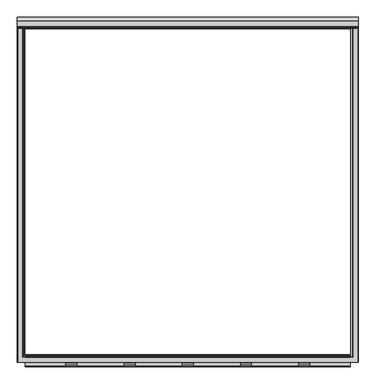
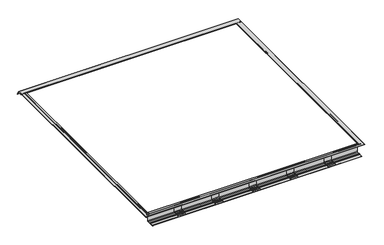
"""IFC4 building model written with IfcOpenShell, lengths in millimetres: fastener geometry."""

from ifc_helpers import new_model, si_unit, point, frame, frame_2d, origin, place, context, project, spatial, polyline, circle_curve, ellipse_curve, trimmed, segment, composite_curve, outline, extrude, source, transform, mapped, element, save
from ifc_brep_helpers import plane_surface, cylinder_surface, revolved_surface, advanced_brep


def fastener_a74622cb(model_context):
    return source(origin(), model_context, "Body", "SolidModel", [
        extrude(outline(composite_curve([segment(trimmed(circle_curve(frame_2d((-1145.5700599, -103.8836108)), 7.5509517), [point((-1138.0191082, -103.8836108))], [point((-1145.5700599, -111.4345625))], False, "CARTESIAN"), True, "CONTINUOUS"), segment(polyline([(-1145.5700599, -111.4345625), (-1177.5500422, -111.4345625)]), True, "CONTINUOUS"), segment(trimmed(circle_curve(frame_2d((-1177.2863618, -110.3784961)), 1.0884868), [point((-1177.5500422, -111.4345625))], [point((-1178.0560382, -109.6088197))], False, "CARTESIAN"), True, "CONTINUOUS"), segment(polyline([(-1178.0560382, -109.6088197), (-1176.7465916, -108.2993731)]), True, "CONTINUOUS"), segment(trimmed(circle_curve(frame_2d((-1177.516268, -107.5296966)), 1.0884868), [point((-1176.7465916, -108.2993731))], [point((-1176.911598, -106.6246122))], True, "CARTESIAN"), True, "CONTINUOUS"), segment(polyline([(-1176.911598, -106.6246122), (-1186.4250513, -106.6246122)]), True, "CONTINUOUS"), segment(trimmed(circle_curve(frame_2d((-1185.8203813, -107.5296966)), 1.0884868), [point((-1186.4250513, -106.6246122))], [point((-1186.5900578, -108.2993731))], True, "CARTESIAN"), True, "CONTINUOUS"), segment(polyline([(-1186.5900578, -108.2993731), (-1185.2806111, -109.6088197)]), True, "CONTINUOUS"), segment(trimmed(circle_curve(frame_2d((-1186.0502876, -110.3784961)), 1.0884868), [point((-1185.2806111, -109.6088197))], [point((-1185.7866071, -111.4345625))], False, "CARTESIAN"), True, "CONTINUOUS"), segment(polyline([(-1185.7866071, -111.4345625), (-1219.2, -111.4345625)]), True, "CONTINUOUS"), segment(trimmed(circle_curve(frame_2d((-1211.6858077, -110.7021667)), 7.5498006), [point((-1219.2, -111.4345625))], [point((-1211.6858077, -103.1523661))], False, "CARTESIAN"), True, "CONTINUOUS"), segment(polyline([(-1211.6858077, -103.1523661), (-1195.9627839, -103.1523661)]), True, "CONTINUOUS"), segment(trimmed(circle_curve(frame_2d((-1195.8562589, -99.1759938)), 3.977799), [point((-1195.9627839, -103.1523661))], [point((-1193.0435303, -101.9887224))], True, "CARTESIAN"), True, "CONTINUOUS"), segment(polyline([(-1193.0435303, -101.9887224), (-1190.9210407, -99.8662329)]), True, "CONTINUOUS"), segment(trimmed(circle_curve(frame_2d((-1188.1083121, -102.6789615)), 3.977799), [point((-1190.9210407, -99.8662329))], [point((-1188.0183247, -98.7021806))], False, "CARTESIAN"), True, "CONTINUOUS"), segment(polyline([(-1188.0183247, -98.7021806), (-1175.3183247, -98.7021806)]), True, "CONTINUOUS"), segment(trimmed(circle_curve(frame_2d((-1175.2283372, -102.6789615)), 3.977799), [point((-1175.3183247, -98.7021806))], [point((-1172.4156086, -99.8662329))], False, "CARTESIAN"), True, "CONTINUOUS"), segment(polyline([(-1172.4156086, -99.8662329), (-1170.2931191, -101.9887224)]), True, "CONTINUOUS"), segment(trimmed(circle_curve(frame_2d((-1167.4803904, -99.1759938)), 3.977799), [point((-1170.2931191, -101.9887224))], [point((-1167.3738655, -103.1523661))], True, "CARTESIAN"), True, "CONTINUOUS"), segment(polyline([(-1167.3738655, -103.1523661), (-1150.9842926, -103.1523661)]), True, "CONTINUOUS"), segment(trimmed(circle_curve(frame_2d((-1150.2040874, -97.3697836)), 5.8349791), [point((-1150.9842926, -103.1523661))], [point((-1144.3691082, -97.3697836))], True, "CARTESIAN"), True, "CONTINUOUS"), segment(polyline([(-1144.3691082, -97.3697836), (-1144.3691082, -38.7961108), (-1138.0191082, -38.7961108), (-1138.0191082, -103.8836108)]), True, "CONTINUOUS")], self_intersect=False)), frame((774.7, 0.0, 0.0), z_axis=(1.0, 0.0, 0.0), x_axis=(0.0, 1.0, 0.0)), (0.0, 0.0, 1.0), 76.2),
        extrude(outline(composite_curve([segment(trimmed(circle_curve(frame_2d((-1145.5700599, -103.8836108)), 7.5509517), [point((-1138.0191082, -103.8836108))], [point((-1145.5700599, -111.4345625))], False, "CARTESIAN"), True, "CONTINUOUS"), segment(polyline([(-1145.5700599, -111.4345625), (-1177.5500422, -111.4345625)]), True, "CONTINUOUS"), segment(trimmed(circle_curve(frame_2d((-1177.2863618, -110.3784961)), 1.0884868), [point((-1177.5500422, -111.4345625))], [point((-1178.0560382, -109.6088197))], False, "CARTESIAN"), True, "CONTINUOUS"), segment(polyline([(-1178.0560382, -109.6088197), (-1176.7465916, -108.2993731)]), True, "CONTINUOUS"), segment(trimmed(circle_curve(frame_2d((-1177.516268, -107.5296966)), 1.0884868), [point((-1176.7465916, -108.2993731))], [point((-1176.911598, -106.6246122))], True, "CARTESIAN"), True, "CONTINUOUS"), segment(polyline([(-1176.911598, -106.6246122), (-1186.4250513, -106.6246122)]), True, "CONTINUOUS"), segment(trimmed(circle_curve(frame_2d((-1185.8203813, -107.5296966)), 1.0884868), [point((-1186.4250513, -106.6246122))], [point((-1186.5900578, -108.2993731))], True, "CARTESIAN"), True, "CONTINUOUS"), segment(polyline([(-1186.5900578, -108.2993731), (-1185.2806111, -109.6088197)]), True, "CONTINUOUS"), segment(trimmed(circle_curve(frame_2d((-1186.0502876, -110.3784961)), 1.0884868), [point((-1185.2806111, -109.6088197))], [point((-1185.7866071, -111.4345625))], False, "CARTESIAN"), True, "CONTINUOUS"), segment(polyline([(-1185.7866071, -111.4345625), (-1219.2, -111.4345625)]), True, "CONTINUOUS"), segment(trimmed(circle_curve(frame_2d((-1211.6858077, -110.7021667)), 7.5498006), [point((-1219.2, -111.4345625))], [point((-1211.6858077, -103.1523661))], False, "CARTESIAN"), True, "CONTINUOUS"), segment(polyline([(-1211.6858077, -103.1523661), (-1195.9627839, -103.1523661)]), True, "CONTINUOUS"), segment(trimmed(circle_curve(frame_2d((-1195.8562589, -99.1759938)), 3.977799), [point((-1195.9627839, -103.1523661))], [point((-1193.0435303, -101.9887224))], True, "CARTESIAN"), True, "CONTINUOUS"), segment(polyline([(-1193.0435303, -101.9887224), (-1190.9210407, -99.8662329)]), True, "CONTINUOUS"), segment(trimmed(circle_curve(frame_2d((-1188.1083121, -102.6789615)), 3.977799), [point((-1190.9210407, -99.8662329))], [point((-1188.0183247, -98.7021806))], False, "CARTESIAN"), True, "CONTINUOUS"), segment(polyline([(-1188.0183247, -98.7021806), (-1175.3183247, -98.7021806)]), True, "CONTINUOUS"), segment(trimmed(circle_curve(frame_2d((-1175.2283372, -102.6789615)), 3.977799), [point((-1175.3183247, -98.7021806))], [point((-1172.4156086, -99.8662329))], False, "CARTESIAN"), True, "CONTINUOUS"), segment(polyline([(-1172.4156086, -99.8662329), (-1170.2931191, -101.9887224)]), True, "CONTINUOUS"), segment(trimmed(circle_curve(frame_2d((-1167.4803904, -99.1759938)), 3.977799), [point((-1170.2931191, -101.9887224))], [point((-1167.3738655, -103.1523661))], True, "CARTESIAN"), True, "CONTINUOUS"), segment(polyline([(-1167.3738655, -103.1523661), (-1150.9842926, -103.1523661)]), True, "CONTINUOUS"), segment(trimmed(circle_curve(frame_2d((-1150.2040874, -97.3697836)), 5.8349791), [point((-1150.9842926, -103.1523661))], [point((-1144.3691082, -97.3697836))], True, "CARTESIAN"), True, "CONTINUOUS"), segment(polyline([(-1144.3691082, -97.3697836), (-1144.3691082, -38.7961108), (-1138.0191082, -38.7961108), (-1138.0191082, -103.8836108)]), True, "CONTINUOUS")], self_intersect=False)), frame((-850.9, 0.0, 0.0), z_axis=(1.0, 0.0, 0.0), x_axis=(0.0, 1.0, 0.0)), (0.0, 0.0, 1.0), 76.2),
        extrude(outline(composite_curve([segment(trimmed(circle_curve(frame_2d((-1145.5700599, -103.8836108)), 7.5509517), [point((-1138.0191082, -103.8836108))], [point((-1145.5700599, -111.4345625))], False, "CARTESIAN"), True, "CONTINUOUS"), segment(polyline([(-1145.5700599, -111.4345625), (-1177.5500422, -111.4345625)]), True, "CONTINUOUS"), segment(trimmed(circle_curve(frame_2d((-1177.2863618, -110.3784961)), 1.0884868), [point((-1177.5500422, -111.4345625))], [point((-1178.0560382, -109.6088197))], False, "CARTESIAN"), True, "CONTINUOUS"), segment(polyline([(-1178.0560382, -109.6088197), (-1176.7465916, -108.2993731)]), True, "CONTINUOUS"), segment(trimmed(circle_curve(frame_2d((-1177.516268, -107.5296966)), 1.0884868), [point((-1176.7465916, -108.2993731))], [point((-1176.911598, -106.6246122))], True, "CARTESIAN"), True, "CONTINUOUS"), segment(polyline([(-1176.911598, -106.6246122), (-1186.4250513, -106.6246122)]), True, "CONTINUOUS"), segment(trimmed(circle_curve(frame_2d((-1185.8203813, -107.5296966)), 1.0884868), [point((-1186.4250513, -106.6246122))], [point((-1186.5900578, -108.2993731))], True, "CARTESIAN"), True, "CONTINUOUS"), segment(polyline([(-1186.5900578, -108.2993731), (-1185.2806111, -109.6088197)]), True, "CONTINUOUS"), segment(trimmed(circle_curve(frame_2d((-1186.0502876, -110.3784961)), 1.0884868), [point((-1185.2806111, -109.6088197))], [point((-1185.7866071, -111.4345625))], False, "CARTESIAN"), True, "CONTINUOUS"), segment(polyline([(-1185.7866071, -111.4345625), (-1219.2, -111.4345625)]), True, "CONTINUOUS"), segment(trimmed(circle_curve(frame_2d((-1211.6858077, -110.7021667)), 7.5498006), [point((-1219.2, -111.4345625))], [point((-1211.6858077, -103.1523661))], False, "CARTESIAN"), True, "CONTINUOUS"), segment(polyline([(-1211.6858077, -103.1523661), (-1195.9627839, -103.1523661)]), True, "CONTINUOUS"), segment(trimmed(circle_curve(frame_2d((-1195.8562589, -99.1759938)), 3.977799), [point((-1195.9627839, -103.1523661))], [point((-1193.0435303, -101.9887224))], True, "CARTESIAN"), True, "CONTINUOUS"), segment(polyline([(-1193.0435303, -101.9887224), (-1190.9210407, -99.8662329)]), True, "CONTINUOUS"), segment(trimmed(circle_curve(frame_2d((-1188.1083121, -102.6789615)), 3.977799), [point((-1190.9210407, -99.8662329))], [point((-1188.0183247, -98.7021806))], False, "CARTESIAN"), True, "CONTINUOUS"), segment(polyline([(-1188.0183247, -98.7021806), (-1175.3183247, -98.7021806)]), True, "CONTINUOUS"), segment(trimmed(circle_curve(frame_2d((-1175.2283372, -102.6789615)), 3.977799), [point((-1175.3183247, -98.7021806))], [point((-1172.4156086, -99.8662329))], False, "CARTESIAN"), True, "CONTINUOUS"), segment(polyline([(-1172.4156086, -99.8662329), (-1170.2931191, -101.9887224)]), True, "CONTINUOUS"), segment(trimmed(circle_curve(frame_2d((-1167.4803904, -99.1759938)), 3.977799), [point((-1170.2931191, -101.9887224))], [point((-1167.3738655, -103.1523661))], True, "CARTESIAN"), True, "CONTINUOUS"), segment(polyline([(-1167.3738655, -103.1523661), (-1150.9842926, -103.1523661)]), True, "CONTINUOUS"), segment(trimmed(circle_curve(frame_2d((-1150.2040874, -97.3697836)), 5.8349791), [point((-1150.9842926, -103.1523661))], [point((-1144.3691082, -97.3697836))], True, "CARTESIAN"), True, "CONTINUOUS"), segment(polyline([(-1144.3691082, -97.3697836), (-1144.3691082, -38.7961108), (-1138.0191082, -38.7961108), (-1138.0191082, -103.8836108)]), True, "CONTINUOUS")], self_intersect=False)), frame((-444.5, 0.0, 0.0), z_axis=(1.0, 0.0, 0.0), x_axis=(0.0, 1.0, 0.0)), (0.0, 0.0, 1.0), 76.2),
        extrude(outline(composite_curve([segment(trimmed(circle_curve(frame_2d((-1145.5700599, -103.8836108)), 7.5509517), [point((-1138.0191082, -103.8836108))], [point((-1145.5700599, -111.4345625))], False, "CARTESIAN"), True, "CONTINUOUS"), segment(polyline([(-1145.5700599, -111.4345625), (-1177.5500422, -111.4345625)]), True, "CONTINUOUS"), segment(trimmed(circle_curve(frame_2d((-1177.2863618, -110.3784961)), 1.0884868), [point((-1177.5500422, -111.4345625))], [point((-1178.0560382, -109.6088197))], False, "CARTESIAN"), True, "CONTINUOUS"), segment(polyline([(-1178.0560382, -109.6088197), (-1176.7465916, -108.2993731)]), True, "CONTINUOUS"), segment(trimmed(circle_curve(frame_2d((-1177.516268, -107.5296966)), 1.0884868), [point((-1176.7465916, -108.2993731))], [point((-1176.911598, -106.6246122))], True, "CARTESIAN"), True, "CONTINUOUS"), segment(polyline([(-1176.911598, -106.6246122), (-1186.4250513, -106.6246122)]), True, "CONTINUOUS"), segment(trimmed(circle_curve(frame_2d((-1185.8203813, -107.5296966)), 1.0884868), [point((-1186.4250513, -106.6246122))], [point((-1186.5900578, -108.2993731))], True, "CARTESIAN"), True, "CONTINUOUS"), segment(polyline([(-1186.5900578, -108.2993731), (-1185.2806111, -109.6088197)]), True, "CONTINUOUS"), segment(trimmed(circle_curve(frame_2d((-1186.0502876, -110.3784961)), 1.0884868), [point((-1185.2806111, -109.6088197))], [point((-1185.7866071, -111.4345625))], False, "CARTESIAN"), True, "CONTINUOUS"), segment(polyline([(-1185.7866071, -111.4345625), (-1219.2, -111.4345625)]), True, "CONTINUOUS"), segment(trimmed(circle_curve(frame_2d((-1211.6858077, -110.7021667)), 7.5498006), [point((-1219.2, -111.4345625))], [point((-1211.6858077, -103.1523661))], False, "CARTESIAN"), True, "CONTINUOUS"), segment(polyline([(-1211.6858077, -103.1523661), (-1195.9627839, -103.1523661)]), True, "CONTINUOUS"), segment(trimmed(circle_curve(frame_2d((-1195.8562589, -99.1759938)), 3.977799), [point((-1195.9627839, -103.1523661))], [point((-1193.0435303, -101.9887224))], True, "CARTESIAN"), True, "CONTINUOUS"), segment(polyline([(-1193.0435303, -101.9887224), (-1190.9210407, -99.8662329)]), True, "CONTINUOUS"), segment(trimmed(circle_curve(frame_2d((-1188.1083121, -102.6789615)), 3.977799), [point((-1190.9210407, -99.8662329))], [point((-1188.0183247, -98.7021806))], False, "CARTESIAN"), True, "CONTINUOUS"), segment(polyline([(-1188.0183247, -98.7021806), (-1175.3183247, -98.7021806)]), True, "CONTINUOUS"), segment(trimmed(circle_curve(frame_2d((-1175.2283372, -102.6789615)), 3.977799), [point((-1175.3183247, -98.7021806))], [point((-1172.4156086, -99.8662329))], False, "CARTESIAN"), True, "CONTINUOUS"), segment(polyline([(-1172.4156086, -99.8662329), (-1170.2931191, -101.9887224)]), True, "CONTINUOUS"), segment(trimmed(circle_curve(frame_2d((-1167.4803904, -99.1759938)), 3.977799), [point((-1170.2931191, -101.9887224))], [point((-1167.3738655, -103.1523661))], True, "CARTESIAN"), True, "CONTINUOUS"), segment(polyline([(-1167.3738655, -103.1523661), (-1150.9842926, -103.1523661)]), True, "CONTINUOUS"), segment(trimmed(circle_curve(frame_2d((-1150.2040874, -97.3697836)), 5.8349791), [point((-1150.9842926, -103.1523661))], [point((-1144.3691082, -97.3697836))], True, "CARTESIAN"), True, "CONTINUOUS"), segment(polyline([(-1144.3691082, -97.3697836), (-1144.3691082, -38.7961108), (-1138.0191082, -38.7961108), (-1138.0191082, -103.8836108)]), True, "CONTINUOUS")], self_intersect=False)), frame((368.3, 0.0, 0.0), z_axis=(1.0, 0.0, 0.0), x_axis=(0.0, 1.0, 0.0)), (0.0, 0.0, 1.0), 76.2),
        extrude(outline(composite_curve([segment(trimmed(circle_curve(frame_2d((-1145.5700599, -103.8836108)), 7.5509517), [point((-1138.0191082, -103.8836108))], [point((-1145.5700599, -111.4345625))], False, "CARTESIAN"), True, "CONTINUOUS"), segment(polyline([(-1145.5700599, -111.4345625), (-1177.5500422, -111.4345625)]), True, "CONTINUOUS"), segment(trimmed(circle_curve(frame_2d((-1177.2863618, -110.3784961)), 1.0884868), [point((-1177.5500422, -111.4345625))], [point((-1178.0560382, -109.6088197))], False, "CARTESIAN"), True, "CONTINUOUS"), segment(polyline([(-1178.0560382, -109.6088197), (-1176.7465916, -108.2993731)]), True, "CONTINUOUS"), segment(trimmed(circle_curve(frame_2d((-1177.516268, -107.5296966)), 1.0884868), [point((-1176.7465916, -108.2993731))], [point((-1176.911598, -106.6246122))], True, "CARTESIAN"), True, "CONTINUOUS"), segment(polyline([(-1176.911598, -106.6246122), (-1186.4250513, -106.6246122)]), True, "CONTINUOUS"), segment(trimmed(circle_curve(frame_2d((-1185.8203813, -107.5296966)), 1.0884868), [point((-1186.4250513, -106.6246122))], [point((-1186.5900578, -108.2993731))], True, "CARTESIAN"), True, "CONTINUOUS"), segment(polyline([(-1186.5900578, -108.2993731), (-1185.2806111, -109.6088197)]), True, "CONTINUOUS"), segment(trimmed(circle_curve(frame_2d((-1186.0502876, -110.3784961)), 1.0884868), [point((-1185.2806111, -109.6088197))], [point((-1185.7866071, -111.4345625))], False, "CARTESIAN"), True, "CONTINUOUS"), segment(polyline([(-1185.7866071, -111.4345625), (-1219.2, -111.4345625)]), True, "CONTINUOUS"), segment(trimmed(circle_curve(frame_2d((-1211.6858077, -110.7021667)), 7.5498006), [point((-1219.2, -111.4345625))], [point((-1211.6858077, -103.1523661))], False, "CARTESIAN"), True, "CONTINUOUS"), segment(polyline([(-1211.6858077, -103.1523661), (-1195.9627839, -103.1523661)]), True, "CONTINUOUS"), segment(trimmed(circle_curve(frame_2d((-1195.8562589, -99.1759938)), 3.977799), [point((-1195.9627839, -103.1523661))], [point((-1193.0435303, -101.9887224))], True, "CARTESIAN"), True, "CONTINUOUS"), segment(polyline([(-1193.0435303, -101.9887224), (-1190.9210407, -99.8662329)]), True, "CONTINUOUS"), segment(trimmed(circle_curve(frame_2d((-1188.1083121, -102.6789615)), 3.977799), [point((-1190.9210407, -99.8662329))], [point((-1188.0183247, -98.7021806))], False, "CARTESIAN"), True, "CONTINUOUS"), segment(polyline([(-1188.0183247, -98.7021806), (-1175.3183247, -98.7021806)]), True, "CONTINUOUS"), segment(trimmed(circle_curve(frame_2d((-1175.2283372, -102.6789615)), 3.977799), [point((-1175.3183247, -98.7021806))], [point((-1172.4156086, -99.8662329))], False, "CARTESIAN"), True, "CONTINUOUS"), segment(polyline([(-1172.4156086, -99.8662329), (-1170.2931191, -101.9887224)]), True, "CONTINUOUS"), segment(trimmed(circle_curve(frame_2d((-1167.4803904, -99.1759938)), 3.977799), [point((-1170.2931191, -101.9887224))], [point((-1167.3738655, -103.1523661))], True, "CARTESIAN"), True, "CONTINUOUS"), segment(polyline([(-1167.3738655, -103.1523661), (-1150.9842926, -103.1523661)]), True, "CONTINUOUS"), segment(trimmed(circle_curve(frame_2d((-1150.2040874, -97.3697836)), 5.8349791), [point((-1150.9842926, -103.1523661))], [point((-1144.3691082, -97.3697836))], True, "CARTESIAN"), True, "CONTINUOUS"), segment(polyline([(-1144.3691082, -97.3697836), (-1144.3691082, -38.7961108), (-1138.0191082, -38.7961108), (-1138.0191082, -103.8836108)]), True, "CONTINUOUS")], self_intersect=False)), frame((-38.1, 0.0, 0.0), z_axis=(1.0, 0.0, 0.0), x_axis=(0.0, 1.0, 0.0)), (0.0, 0.0, 1.0), 76.2),
        extrude(outline(composite_curve([segment(polyline([(-1135.3165, -15.1804688), (-1135.3165, -114.1015625), (-1217.8665, -114.1015625)]), True, "CONTINUOUS"), segment(trimmed(circle_curve(frame_2d((-1217.8665, -112.7680625)), 1.3335), [point((-1217.8665, -114.1015625))], [point((-1217.8665, -111.4345625))], False, "CARTESIAN"), True, "CONTINUOUS"), segment(polyline([(-1217.8665, -111.4345625), (-1185.7509989, -111.4345625)]), True, "CONTINUOUS"), segment(trimmed(circle_curve(frame_2d((-1186.0146793, -110.3784961)), 1.0884868), [point((-1185.7509989, -111.4345625))], [point((-1185.2450029, -109.6088197))], True, "CARTESIAN"), True, "CONTINUOUS"), segment(polyline([(-1185.2450029, -109.6088197), (-1186.5544495, -108.2993731)]), True, "CONTINUOUS"), segment(trimmed(circle_curve(frame_2d((-1185.7847731, -107.5296966)), 1.0884868), [point((-1186.5544495, -108.2993731))], [point((-1186.389443, -106.6246122))], False, "CARTESIAN"), True, "CONTINUOUS"), segment(polyline([(-1186.389443, -106.6246122), (-1176.8759898, -106.6246122)]), True, "CONTINUOUS"), segment(trimmed(circle_curve(frame_2d((-1177.4806597, -107.5296966)), 1.0884868), [point((-1176.8759898, -106.6246122))], [point((-1176.7109833, -108.2993731))], False, "CARTESIAN"), True, "CONTINUOUS"), segment(polyline([(-1176.7109833, -108.2993731), (-1178.0204299, -109.6088197)]), True, "CONTINUOUS"), segment(trimmed(circle_curve(frame_2d((-1177.2507535, -110.3784961)), 1.0884868), [point((-1178.0204299, -109.6088197))], [point((-1177.5144339, -111.4345625))], True, "CARTESIAN"), True, "CONTINUOUS"), segment(polyline([(-1177.5144339, -111.4345625), (-1145.5344517, -111.4345625)]), True, "CONTINUOUS"), segment(trimmed(circle_curve(frame_2d((-1145.5344517, -103.8836108)), 7.5509517), [point((-1145.5344517, -111.4345625))], [point((-1137.9835, -103.8836108))], True, "CARTESIAN"), True, "CONTINUOUS"), segment(polyline([(-1137.9835, -103.8836108), (-1137.9835, -21.87801), (-1156.2117258, -21.87801), (-1156.2117258, -15.1804688), (-1152.1178999, -15.1804688)]), True, "CONTINUOUS"), segment(trimmed(circle_curve(frame_2d((-1152.8274757, -16.2725079)), 1.3023238), [point((-1152.1178999, -15.1804688))], [point((-1151.9131963, -17.1999455))], False, "CARTESIAN"), True, "CONTINUOUS"), segment(polyline([(-1151.9131963, -17.1999455), (-1152.9649499, -18.2679836)]), True, "CONTINUOUS"), segment(trimmed(circle_curve(frame_2d((-1152.5091166, -18.6293281)), 0.5816819), [point((-1152.9649499, -18.2679836))], [point((-1152.5091166, -19.21101))], True, "CARTESIAN"), True, "CONTINUOUS"), segment(polyline([(-1152.5091166, -19.21101), (-1140.8594568, -19.21101)]), True, "CONTINUOUS"), segment(trimmed(circle_curve(frame_2d((-1140.8594568, -18.6130003)), 0.5980097), [point((-1140.8594568, -19.21101))], [point((-1140.3710112, -18.2679836))], True, "CARTESIAN"), True, "CONTINUOUS"), segment(polyline([(-1140.3710112, -18.2679836), (-1141.460117, -17.1999455)]), True, "CONTINUOUS"), segment(trimmed(circle_curve(frame_2d((-1140.5022273, -16.284676)), 1.3248664), [point((-1141.460117, -17.1999455))], [point((-1141.2343456, -15.1804688))], False, "CARTESIAN"), True, "CONTINUOUS"), segment(polyline([(-1141.2343456, -15.1804688), (-1135.3165, -15.1804688)]), True, "CONTINUOUS")], self_intersect=False)), frame((-1135.3165, 0.0, 0.0), z_axis=(1.0, 0.0, 0.0), x_axis=(0.0, 1.0, 0.0)), (0.0, 0.0, 1.0), 2270.633),
        advanced_brep(
        [(-1189.1053092, 1141.2343456, -15.1685625), (-1189.1053092, 1135.3165, -15.1685625), (-1189.1053092, 1135.3165, -13.8350625), (-1189.1053092, 1135.3165, -12.5015625), (-1189.1053092, 1190.6451024, -12.5015625), (-1189.1053092, 1217.7515464, -59.4513008), (-1189.1053092, 1215.4418567, -60.7848008), (-1189.1053092, 1189.1053092, -15.1685625), (-1189.1053092, 1161.8308783, -15.1685625), (-1189.1053092, 1159.573508, -17.4259327), (-1189.1053092, 1159.573508, -26.7633474), (-1189.1053092, 1149.6719492, -26.7633474), (-1189.1053092, 1149.6719492, -24.7662067), (-1189.1053092, 1150.5032605, -24.7662067), (-1189.1053092, 1151.5117177, -23.7577495), (-1189.1053092, 1151.5117177, -21.8661038), (-1189.1053092, 1156.2117258, -21.8661038), (-1189.1053092, 1156.2117258, -15.1685625), (-1189.1053092, 1152.1178999, -15.1685625), (-1189.1053092, 1151.9131963, -17.2095918), (-1189.1053092, 1152.9812344, -18.2776299), (-1189.1053092, 1152.5091166, -19.1991038), (-1189.1053092, 1140.8431289, -19.1991038), (-1189.1053092, 1140.3710112, -18.2776299), (-1189.1053092, 1141.4390493, -17.2095918), (1189.1053092, 1141.2343456, -15.1685625), (1189.1053092, 1141.4390493, -17.2095918), (1189.1053092, 1140.3710112, -18.2776299), (1189.1053092, 1140.8431289, -19.1991038), (1189.1053092, 1152.5091166, -19.1991038), (1189.1053092, 1152.9812344, -18.2776299), (1189.1053092, 1151.9131963, -17.2095918), (1189.1053092, 1152.1178999, -15.1685625), (1189.1053092, 1156.2117258, -15.1685625), (1189.1053092, 1156.2117258, -21.8661038), (1189.1053092, 1151.5117177, -21.8661038), (1189.1053092, 1151.5117177, -23.7577495), (1189.1053092, 1150.5032605, -24.7662067), (1189.1053092, 1149.6719492, -24.7662067), (1189.1053092, 1149.6719492, -26.7633474), (1189.1053092, 1159.573508, -26.7633474), (1189.1053092, 1159.573508, -17.4259327), (1189.1053092, 1161.8308783, -15.1685625), (1189.1053092, 1189.1053092, -15.1685625), (1189.1053092, 1215.4418567, -60.7848008), (1189.1053092, 1217.7515464, -59.4513008), (1189.1053092, 1190.6451024, -12.5015625), (1189.1053092, 1135.3165, -12.5015625), (1189.1053092, 1135.3165, -13.8350625), (1189.1053092, 1135.3165, -15.1685625), (1187.7718092, 1135.3165, -15.1685625), (1187.7718092, -1187.7718092, -15.1685625), (-1187.7718092, -1187.7718092, -15.1685625), (-1187.7718092, 1135.3165, -15.1685625), (1135.3165, 1135.3165, -15.1685625), (-1135.3165, 1135.3165, -15.1685625), (-1135.3165, -1135.3165, -15.1685625), (1135.3165, -1135.3165, -15.1685625), (-1141.2160631, 1135.3165, -15.1685625), (-1152.1361825, 1135.3165, -15.1685625), (-1152.1361825, -1152.1361825, -15.1685625), (1152.1361825, -1152.1361825, -15.1685625), (1152.1361825, 1135.3165, -15.1685625), (1141.2160631, 1135.3165, -15.1685625), (1141.2160631, -1141.2160631, -15.1685625), (-1141.2160631, -1141.2160631, -15.1685625), (-1156.2117258, 1135.3165, -15.1685625), (-1161.8308783, 1135.3165, -15.1685625), (-1161.8308783, -1161.8308783, -15.1685625), (1161.8308783, -1161.8308783, -15.1685625), (1161.8308783, 1135.3165, -15.1685625), (1156.2117258, 1135.3165, -15.1685625), (1156.2117258, -1156.2117258, -15.1685625), (-1156.2117258, -1156.2117258, -15.1685625), (-1187.7718092, 1135.3165, -12.5015625), (1187.7718092, 1135.3165, -12.5015625), (1135.3165, 1135.3165, -12.5015625), (-1135.3165, 1135.3165, -12.5015625), (-1187.7718092, -1187.7718092, -12.5015625), (1187.7718092, -1187.7718092, -12.5015625), (1135.3165, -1135.3165, -12.5015625), (-1135.3165, -1135.3165, -12.5015625), (-1141.4390493, 1135.3165, -17.221498), (-1140.3710112, 1135.3165, -18.2895361), (-1140.8431289, 1135.3165, -19.21101), (-1152.5091166, 1135.3165, -19.21101), (-1152.9812344, 1135.3165, -18.2895361), (-1151.9131963, 1135.3165, -17.221498), (-1156.2117258, 1135.3165, -21.87801), (-1151.5117177, 1135.3165, -21.87801), (-1151.5117177, 1135.3165, -23.7696558), (-1150.5032605, 1135.3165, -24.7781129), (-1149.6719492, 1135.3165, -24.7781129), (-1149.6719492, 1135.3165, -26.7633474), (-1159.573508, 1135.3165, -26.7633474), (-1159.573508, 1135.3165, -17.4259327), (-1141.4390493, -1141.4390493, -17.221498), (-1140.3710112, -1140.3710112, -18.2895361), (-1140.8431289, -1140.8431289, -19.21101), (1140.8431289, -1140.8431289, -19.21101), (1140.8431289, 1135.3165, -19.21101), (1152.5091166, 1135.3165, -19.21101), (1152.5091166, -1152.5091166, -19.21101), (-1152.5091166, -1152.5091166, -19.21101), (-1152.9812344, -1152.9812344, -18.2895361), (-1151.9131963, -1151.9131963, -17.221498), (-1156.2117258, -1156.2117258, -21.87801), (1156.2117258, -1156.2117258, -21.87801), (1156.2117258, 1135.3165, -21.87801), (1151.5117177, 1135.3165, -21.87801), (1151.5117177, -1151.5117177, -21.87801), (-1151.5117177, -1151.5117177, -21.87801), (-1151.5117177, -1151.5117177, -23.7696558), (-1150.5032605, -1150.5032605, -24.7781129), (1150.5032605, -1150.5032605, -24.7781129), (1150.5032605, 1135.3165, -24.7781129), (1149.6719492, 1135.3165, -24.7781129), (1149.6719492, -1149.6719492, -24.7781129), (-1149.6719492, -1149.6719492, -24.7781129), (-1149.6719492, -1149.6719492, -26.7633474), (1149.6719492, -1149.6719492, -26.7633474), (1149.6719492, 1135.3165, -26.7633474), (1159.573508, 1135.3165, -26.7633474), (1159.573508, -1159.573508, -26.7633474), (-1159.573508, -1159.573508, -26.7633474), (-1159.573508, -1159.573508, -17.4259327), (1141.4390493, -1141.4390493, -17.221498), (1140.3710112, -1140.3710112, -18.2895361), (1152.9812344, -1152.9812344, -18.2895361), (1151.9131963, -1151.9131963, -17.221498), (1151.5117177, -1151.5117177, -23.7696558), (1159.573508, -1159.573508, -17.4259327), (1140.3710112, 1135.3165, -18.2895361), (1141.4390493, 1135.3165, -17.221498), (1151.9131963, 1135.3165, -17.221498), (1152.9812344, 1135.3165, -18.2895361), (1159.573508, 1135.3165, -17.4259327), (1151.5117177, 1135.3165, -23.7696558)],
        [
            (0, 1),
            (1, 2),
            (2, 3),
            (3, 4),
            (4, 5),
            (5, 6),
            (6, 7),
            (7, 8),
            (8, 9, circle_curve(frame((-1189.1053092, 1161.8308783, -17.4259327), z_axis=(1.0, 0.0, 0.0), x_axis=(0.0, 1.0, 0.0)), 2.2573702)),
            (9, 10),
            (10, 11),
            (11, 12, circle_curve(frame((-1189.1053092, 1149.6719492, -25.764777), z_axis=(-1.0, 0.0, 0.0), x_axis=(0.0, 1.0, 0.0)), 0.9985703)),
            (12, 13),
            (13, 14, circle_curve(frame((-1189.1053092, 1150.5032605, -23.7577495), z_axis=(1.0, 0.0, 0.0), x_axis=(0.0, 1.0, 0.0)), 1.0084572)),
            (14, 15),
            (15, 16),
            (16, 17),
            (17, 18),
            (18, 19, circle_curve(frame((-1189.1053092, 1152.8500183, -16.2727698), z_axis=(1.0, 0.0, 0.0), x_axis=(0.0, 1.0, 0.0)), 1.3248664)),
            (19, 20),
            (20, 21, circle_curve(frame((-1189.1053092, 1152.5091166, -18.6174219), z_axis=(-1.0, 0.0, 0.0), x_axis=(0.0, 1.0, 0.0)), 0.5816819)),
            (21, 22),
            (22, 23, circle_curve(frame((-1189.1053092, 1140.8431289, -18.6174219), z_axis=(-1.0, 0.0, 0.0), x_axis=(0.0, 1.0, 0.0)), 0.5816819)),
            (23, 24),
            (24, 0, circle_curve(frame((-1189.1053092, 1140.5022273, -16.2727698), z_axis=(1.0, 0.0, 0.0), x_axis=(0.0, 1.0, 0.0)), 1.3248664)),
            (25, 26, circle_curve(frame((1189.1053092, 1140.5022273, -16.2727698), z_axis=(-1.0, 0.0, 0.0), x_axis=(0.0, 1.0, 0.0)), 1.3248664)),
            (26, 27),
            (27, 28, circle_curve(frame((1189.1053092, 1140.8431289, -18.6174219), z_axis=(1.0, 0.0, 0.0), x_axis=(0.0, 1.0, 0.0)), 0.5816819)),
            (28, 29),
            (29, 30, circle_curve(frame((1189.1053092, 1152.5091166, -18.6174219), z_axis=(1.0, 0.0, 0.0), x_axis=(0.0, 1.0, 0.0)), 0.5816819)),
            (30, 31),
            (31, 32, circle_curve(frame((1189.1053092, 1152.8500183, -16.2727698), z_axis=(-1.0, 0.0, 0.0), x_axis=(0.0, 1.0, 0.0)), 1.3248664)),
            (32, 33),
            (33, 34),
            (34, 35),
            (35, 36),
            (36, 37, circle_curve(frame((1189.1053092, 1150.5032605, -23.7577495), z_axis=(-1.0, 0.0, 0.0), x_axis=(0.0, 1.0, 0.0)), 1.0084572)),
            (37, 38),
            (38, 39, circle_curve(frame((1189.1053092, 1149.6719492, -25.764777), z_axis=(1.0, 0.0, 0.0), x_axis=(0.0, 1.0, 0.0)), 0.9985703)),
            (39, 40),
            (40, 41),
            (41, 42, circle_curve(frame((1189.1053092, 1161.8308783, -17.4259327), z_axis=(-1.0, 0.0, 0.0), x_axis=(0.0, 1.0, 0.0)), 2.2573702)),
            (42, 43),
            (43, 44),
            (44, 45),
            (45, 46),
            (46, 47),
            (47, 48),
            (48, 49),
            (49, 25),
            (0, 25),
            (49, 50),
            (50, 51),
            (51, 52),
            (52, 53),
            (53, 1),
            (54, 55),
            (55, 56),
            (56, 57),
            (57, 54),
            (58, 59),
            (59, 60),
            (60, 61),
            (61, 62),
            (62, 63),
            (63, 64),
            (64, 65),
            (65, 58),
            (66, 67),
            (67, 68),
            (68, 69),
            (69, 70),
            (70, 71),
            (71, 72),
            (72, 73),
            (73, 66),
            (53, 2, circle_curve(frame((-1187.7718092, 1135.3165, -13.8350625), z_axis=(0.0, 1.0, 0.0), x_axis=(1.0, 0.0, 0.0)), 1.3335)),
            (2, 74, circle_curve(frame((-1187.7718092, 1135.3165, -13.8350625), z_axis=(0.0, 1.0, 0.0), x_axis=(1.0, 0.0, 0.0)), 1.3335)),
            (74, 3),
            (47, 75),
            (75, 48, circle_curve(frame((1187.7718092, 1135.3165, -13.8350625), z_axis=(0.0, 1.0, 0.0), x_axis=(-1.0, 0.0, 0.0)), 1.3335)),
            (48, 50, circle_curve(frame((1187.7718092, 1135.3165, -13.8350625), z_axis=(0.0, 1.0, 0.0), x_axis=(-1.0, 0.0, 0.0)), 1.3335)),
            (54, 76),
            (76, 77),
            (77, 55),
            (74, 78),
            (78, 79),
            (79, 75),
            (46, 4),
            (76, 80),
            (80, 81),
            (81, 77),
            (45, 5),
            (44, 6),
            (43, 7),
            (42, 8),
            (41, 9),
            (40, 10),
            (39, 11),
            (38, 12),
            (37, 13),
            (36, 14),
            (35, 15),
            (34, 16),
            (33, 17),
            (32, 18),
            (19, 31),
            (30, 20),
            (29, 21),
            (28, 22),
            (27, 23),
            (26, 24),
            (58, 82, circle_curve(frame((-1140.5022273, 1135.3165, -16.284676), z_axis=(0.0, -1.0, 0.0), x_axis=(1.0, 0.0, 0.0)), 1.3248664)),
            (82, 83),
            (83, 84, circle_curve(frame((-1140.8431289, 1135.3165, -18.6293281), z_axis=(0.0, 1.0, 0.0), x_axis=(1.0, 0.0, 0.0)), 0.5816819)),
            (84, 85),
            (85, 86, circle_curve(frame((-1152.5091166, 1135.3165, -18.6293281), z_axis=(0.0, 1.0, 0.0), x_axis=(1.0, 0.0, 0.0)), 0.5816819)),
            (86, 87),
            (87, 59, circle_curve(frame((-1152.8500183, 1135.3165, -16.284676), z_axis=(0.0, -1.0, 0.0), x_axis=(1.0, 0.0, 0.0)), 1.3248664)),
            (66, 88),
            (88, 89),
            (89, 90),
            (90, 91, circle_curve(frame((-1150.5032605, 1135.3165, -23.7696558), z_axis=(0.0, -1.0, 0.0), x_axis=(1.0, 0.0, 0.0)), 1.0084572)),
            (91, 92),
            (92, 93, circle_curve(frame((-1149.6719492, 1135.3165, -25.7707301), z_axis=(0.0, 1.0, 0.0), x_axis=(1.0, 0.0, 0.0)), 0.9926172)),
            (93, 94),
            (94, 95),
            (95, 67, circle_curve(frame((-1161.8308783, 1135.3165, -17.4259327), z_axis=(0.0, -1.0, 0.0), x_axis=(1.0, 0.0, 0.0)), 2.2573702)),
            (65, 96, ellipse_curve(frame((-1140.5022273, -1140.5022273, -16.284676), z_axis=(0.7071067811865475, -0.7071067811865475, 0.0), x_axis=(-0.7071067811865474, -0.7071067811865476, 0.0)), 1.873644, 1.3248664)),
            (96, 82),
            (96, 97),
            (97, 83),
            (97, 98, ellipse_curve(frame((-1140.8431289, -1140.8431289, -18.6293281), z_axis=(-0.7071067811865475, 0.7071067811865475, 0.0), x_axis=(0.7071067811865474, 0.7071067811865476, 0.0)), 0.8226224, 0.5816819)),
            (98, 84),
            (98, 99),
            (99, 100),
            (100, 101),
            (101, 102),
            (102, 103),
            (103, 85),
            (103, 104, ellipse_curve(frame((-1152.5091166, -1152.5091166, -18.6293281), z_axis=(-0.7071067811865475, 0.7071067811865475, 0.0), x_axis=(0.7071067811865474, 0.7071067811865476, 0.0)), 0.8226224, 0.5816819)),
            (104, 86),
            (104, 105),
            (105, 87),
            (105, 60, ellipse_curve(frame((-1152.8500183, -1152.8500183, -16.284676), z_axis=(0.7071067811865475, -0.7071067811865475, 0.0), x_axis=(-0.7071067811865474, -0.7071067811865476, 0.0)), 1.873644, 1.3248664)),
            (73, 106),
            (106, 88),
            (106, 107),
            (107, 108),
            (108, 109),
            (109, 110),
            (110, 111),
            (111, 89),
            (111, 112),
            (112, 90),
            (112, 113, ellipse_curve(frame((-1150.5032605, -1150.5032605, -23.7696558), z_axis=(0.7071067811865475, -0.7071067811865475, 0.0), x_axis=(-0.7071067811865474, -0.7071067811865476, 0.0)), 1.4261738, 1.0084572)),
            (113, 91),
            (113, 114),
            (114, 115),
            (115, 116),
            (116, 117),
            (117, 118),
            (118, 92),
            (118, 119, ellipse_curve(frame((-1149.6719492, -1149.6719492, -25.7707301), z_axis=(-0.7071067811865475, 0.7071067811865475, 0.0), x_axis=(0.7071067811865474, 0.7071067811865476, 0.0)), 1.4037727, 0.9926172)),
            (119, 93),
            (119, 120),
            (120, 121),
            (121, 122),
            (122, 123),
            (123, 124),
            (124, 94),
            (124, 125),
            (125, 95),
            (125, 68, ellipse_curve(frame((-1161.8308783, -1161.8308783, -17.4259327), z_axis=(0.7071067811865475, -0.7071067811865475, 0.0), x_axis=(-0.7071067811865474, -0.7071067811865476, 0.0)), 3.1924036, 2.2573702)),
            (52, 78, ellipse_curve(frame((-1187.7718092, -1187.7718092, -13.8350625), z_axis=(-0.7071067811865475, 0.7071067811865475, 0.0), x_axis=(0.7071067811865474, 0.7071067811865476, 0.0)), 1.8858538, 1.3335)),
            (81, 56),
            (64, 126, ellipse_curve(frame((1140.5022273, -1140.5022273, -16.284676), z_axis=(0.7071067811865475, 0.7071067811865475, 0.0), x_axis=(0.7071067811865476, -0.7071067811865474, 0.0)), 1.873644, 1.3248664)),
            (126, 96),
            (126, 127),
            (127, 97),
            (127, 99, ellipse_curve(frame((1140.8431289, -1140.8431289, -18.6293281), z_axis=(-0.7071067811865475, -0.7071067811865475, 0.0), x_axis=(-0.7071067811865476, 0.7071067811865474, 0.0)), 0.8226224, 0.5816819)),
            (102, 128, ellipse_curve(frame((1152.5091166, -1152.5091166, -18.6293281), z_axis=(-0.7071067811865475, -0.7071067811865475, 0.0), x_axis=(-0.7071067811865476, 0.7071067811865474, 0.0)), 0.8226224, 0.5816819)),
            (128, 104),
            (128, 129),
            (129, 105),
            (129, 61, ellipse_curve(frame((1152.8500183, -1152.8500183, -16.284676), z_axis=(0.7071067811865475, 0.7071067811865475, 0.0), x_axis=(0.7071067811865476, -0.7071067811865474, 0.0)), 1.873644, 1.3248664)),
            (72, 107),
            (110, 130),
            (130, 112),
            (130, 114, ellipse_curve(frame((1150.5032605, -1150.5032605, -23.7696558), z_axis=(0.7071067811865475, 0.7071067811865475, 0.0), x_axis=(0.7071067811865476, -0.7071067811865474, 0.0)), 1.4261738, 1.0084572)),
            (117, 120, ellipse_curve(frame((1149.6719492, -1149.6719492, -25.7707301), z_axis=(-0.7071067811865475, -0.7071067811865475, 0.0), x_axis=(-0.7071067811865476, 0.7071067811865474, 0.0)), 1.4037727, 0.9926172)),
            (123, 131),
            (131, 125),
            (131, 69, ellipse_curve(frame((1161.8308783, -1161.8308783, -17.4259327), z_axis=(0.7071067811865475, 0.7071067811865475, 0.0), x_axis=(0.7071067811865476, -0.7071067811865474, 0.0)), 3.1924036, 2.2573702)),
            (51, 79, ellipse_curve(frame((1187.7718092, -1187.7718092, -13.8350625), z_axis=(-0.7071067811865475, -0.7071067811865475, 0.0), x_axis=(-0.7071067811865476, 0.7071067811865474, 0.0)), 1.8858538, 1.3335)),
            (80, 57),
            (100, 132, circle_curve(frame((1140.8431289, 1135.3165, -18.6293281), z_axis=(0.0, 1.0, 0.0), x_axis=(-1.0, 0.0, 0.0)), 0.5816819)),
            (132, 133),
            (133, 63, circle_curve(frame((1140.5022273, 1135.3165, -16.284676), z_axis=(0.0, -1.0, 0.0), x_axis=(-1.0, 0.0, 0.0)), 1.3248664)),
            (62, 134, circle_curve(frame((1152.8500183, 1135.3165, -16.284676), z_axis=(0.0, -1.0, 0.0), x_axis=(-1.0, 0.0, 0.0)), 1.3248664)),
            (134, 135),
            (135, 101, circle_curve(frame((1152.5091166, 1135.3165, -18.6293281), z_axis=(0.0, 1.0, 0.0), x_axis=(-1.0, 0.0, 0.0)), 0.5816819)),
            (108, 71),
            (70, 136, circle_curve(frame((1161.8308783, 1135.3165, -17.4259327), z_axis=(0.0, -1.0, 0.0), x_axis=(-1.0, 0.0, 0.0)), 2.2573702)),
            (136, 122),
            (121, 116, circle_curve(frame((1149.6719492, 1135.3165, -25.7707301), z_axis=(0.0, 1.0, 0.0), x_axis=(-1.0, 0.0, 0.0)), 0.9926172)),
            (115, 137, circle_curve(frame((1150.5032605, 1135.3165, -23.7696558), z_axis=(0.0, -1.0, 0.0), x_axis=(-1.0, 0.0, 0.0)), 1.0084572)),
            (137, 109),
            (133, 126),
            (132, 127),
            (135, 128),
            (134, 129),
            (137, 130),
            (136, 131),
        ],
        [
            plane_surface(frame((-1189.1053092, 1219.2, 0.0), z_axis=(-1.0, 0.0, 0.0), x_axis=(0.0, 0.0, 1.0))),
            plane_surface(frame((1189.1053092, 1219.2, 0.0), z_axis=(1.0, 0.0, 0.0), x_axis=(0.0, 0.0, 1.0))),
            plane_surface(frame((-1189.1053092, 1141.2343456, -15.1685625), z_axis=(0.0, 0.0, -1.0), x_axis=(1.0, 0.0, 0.0))),
            plane_surface(frame((-1189.1053092, 1135.3165, -15.1685625), z_axis=(0.0, -1.0, 0.0), x_axis=(1.0, 0.0, 0.0))),
            plane_surface(frame((-1189.1053092, 1135.3165, -12.5015625), z_axis=(0.0, 0.0, 1.0), x_axis=(1.0, 0.0, 0.0))),
            plane_surface(frame((-1189.1053092, 1190.6451024, -12.5015625), z_axis=(0.0, 0.8660254037844348, 0.5000000000000067), x_axis=(1.0, 0.0, 0.0))),
            plane_surface(frame((-1189.1053092, 1217.7515464, -59.4513008), z_axis=(0.0, 0.4999999999999756, -0.8660254037844528), x_axis=(1.0, 0.0, 0.0))),
            plane_surface(frame((-1189.1053092, 1215.4418567, -60.7848008), z_axis=(0.0, -0.8660254037844309, -0.5000000000000133), x_axis=(1.0, 0.0, 0.0))),
            plane_surface(frame((-1189.1053092, 1189.1053092, -15.1685625), z_axis=(0.0, 0.0, -1.0), x_axis=(1.0, 0.0, 0.0))),
            revolved_surface(polyline([(1189.1053092, 1164.0882485, -17.4259327), (-1189.1053092, 1164.0882485, -17.4259327)]), (-1189.1053092, 1161.8308783, -17.4259327), (1.0, 0.0, 0.0)),
            plane_surface(frame((-1189.1053092, 1159.573508, -17.4259327), z_axis=(0.0, 1.0, 0.0), x_axis=(1.0, 0.0, 0.0))),
            plane_surface(frame((-1189.1053092, 1159.573508, -26.7633474), z_axis=(0.0, 0.0, -1.0), x_axis=(1.0, 0.0, 0.0))),
            cylinder_surface(frame((-1189.1053092, 1149.6719492, -25.764777), z_axis=(-1.0, 0.0, 0.0), x_axis=(0.0, 1.0, 0.0)), 0.9985703),
            plane_surface(frame((-1189.1053092, 1149.6719492, -24.7662067), z_axis=(0.0, 0.0, 1.0), x_axis=(1.0, 0.0, 0.0))),
            revolved_surface(polyline([(1189.1053092, 1151.5117177, -23.7577495), (-1189.1053092, 1151.5117177, -23.7577495)]), (-1189.1053092, 1150.5032605, -23.7577495), (1.0, 0.0, 0.0)),
            plane_surface(frame((-1189.1053092, 1151.5117177, -23.7577495), z_axis=(0.0, -1.0, 0.0), x_axis=(1.0, 0.0, 0.0))),
            plane_surface(frame((-1189.1053092, 1151.5117177, -21.8661038), z_axis=(0.0, 0.0, 1.0), x_axis=(1.0, 0.0, 0.0))),
            plane_surface(frame((-1189.1053092, 1156.2117258, -21.8661038), z_axis=(0.0, -1.0, 0.0), x_axis=(1.0, 0.0, 0.0))),
            plane_surface(frame((-1189.1053092, 1156.2117258, -15.1685625), z_axis=(0.0, 0.0, -1.0), x_axis=(1.0, 0.0, 0.0))),
            plane_surface(frame((-1189.1053092, 1151.9131963, -17.2095918), z_axis=(0.0, 0.7071067811859371, 0.7071067811871581), x_axis=(1.0, 0.0, 0.0))),
            cylinder_surface(frame((-1189.1053092, 1152.5091166, -18.6174219), z_axis=(-1.0, 0.0, 0.0), x_axis=(0.0, 1.0, 0.0)), 0.5816819),
            plane_surface(frame((-1189.1053092, 1152.5091166, -19.1991038), z_axis=(0.0, 0.0, -1.0), x_axis=(1.0, 0.0, 0.0))),
            cylinder_surface(frame((-1189.1053092, 1140.8431289, -18.6174219), z_axis=(-1.0, 0.0, 0.0), x_axis=(0.0, 1.0, 0.0)), 0.5816819),
            plane_surface(frame((-1189.1053092, 1140.3710112, -18.2776299), z_axis=(0.0, -0.7071067811859483, 0.7071067811871469), x_axis=(1.0, 0.0, 0.0))),
            revolved_surface(polyline([(1189.1053092, 1154.1748847000001, -16.2727698), (-1189.1053092, 1154.1748847000001, -16.2727698)]), (-1189.1053092, 1152.8500183, -16.2727698), (1.0, 0.0, 0.0)),
            revolved_surface(polyline([(1189.1053092, 1141.8270937, -16.2727698), (-1189.1053092, 1141.8270937, -16.2727698)]), (-1189.1053092, 1140.5022273, -16.2727698), (1.0, 0.0, 0.0)),
            plane_surface(frame((-1219.2, 1135.3165, 0.0), z_axis=(0.0, 1.0, 0.0), x_axis=(0.0, 0.0, 1.0))),
            revolved_surface(polyline([(-1139.1773609, -1141.8270936779295, -16.284676), (-1139.1773609, 1135.3165, -16.284676)]), (-1140.5022273, 1135.3165, -16.284676), (0.0, -1.0, 0.0)),
            plane_surface(frame((-1141.4390493, 1135.3165, -17.221498), z_axis=(0.7071067811872365, 0.0, 0.7071067811858587), x_axis=(0.0, -1.0, 0.0))),
            cylinder_surface(frame((-1140.8431289, 1135.3165, -18.6293281), z_axis=(0.0, 1.0, 0.0), x_axis=(1.0, 0.0, 0.0)), 0.5816819),
            plane_surface(frame((-1140.8431289, 1135.3165, -19.21101), z_axis=(0.0, 0.0, -1.0), x_axis=(0.0, -1.0, 0.0))),
            cylinder_surface(frame((-1152.5091166, 1135.3165, -18.6293281), z_axis=(0.0, 1.0, 0.0), x_axis=(1.0, 0.0, 0.0)), 0.5816819),
            plane_surface(frame((-1152.9812344, 1135.3165, -18.2895361), z_axis=(-0.7071067811877966, 0.0, 0.7071067811852986), x_axis=(0.0, -1.0, 0.0))),
            revolved_surface(polyline([(-1151.5251519, -1154.1748846779296, -16.284676), (-1151.5251519, 1135.3165, -16.284676)]), (-1152.8500183, 1135.3165, -16.284676), (0.0, -1.0, 0.0)),
            plane_surface(frame((-1156.2117258, 1135.3165, -15.1685625), z_axis=(1.0, 0.0, 0.0), x_axis=(0.0, -1.0, 0.0))),
            plane_surface(frame((-1156.2117258, 1135.3165, -21.87801), z_axis=(0.0, 0.0, 1.0), x_axis=(0.0, -1.0, 0.0))),
            plane_surface(frame((-1151.5117177, 1135.3165, -21.87801), z_axis=(1.0, 0.0, 0.0), x_axis=(0.0, -1.0, 0.0))),
            revolved_surface(polyline([(-1149.4948032999998, -1151.5117177000002, -23.7696558), (-1149.4948032999998, 1135.3165, -23.7696558)]), (-1150.5032605, 1135.3165, -23.7696558), (0.0, -1.0, 0.0)),
            plane_surface(frame((-1150.5032605, 1135.3165, -24.7781129), z_axis=(0.0, 0.0, 1.0), x_axis=(0.0, -1.0, 0.0))),
            cylinder_surface(frame((-1149.6719492, 1135.3165, -25.7707301), z_axis=(0.0, 1.0, 0.0), x_axis=(1.0, 0.0, 0.0)), 0.9926172),
            plane_surface(frame((-1149.6719492, 1135.3165, -26.7633474), z_axis=(0.0, 0.0, -1.0), x_axis=(0.0, -1.0, 0.0))),
            plane_surface(frame((-1159.573508, 1135.3165, -26.7633474), z_axis=(-1.0, 0.0, 0.0), x_axis=(0.0, -1.0, 0.0))),
            revolved_surface(polyline([(-1159.5735081, -1164.0882485338448, -17.4259327), (-1159.5735081, 1135.3165, -17.4259327)]), (-1161.8308783, 1135.3165, -17.4259327), (0.0, -1.0, 0.0)),
            cylinder_surface(frame((-1187.7718092, 1135.3165, -13.8350625), z_axis=(0.0, 1.0, 0.0), x_axis=(1.0, 0.0, 0.0)), 1.3335),
            plane_surface(frame((-1135.3165, 1135.3165, -12.5015625), z_axis=(1.0, 0.0, 0.0), x_axis=(0.0, -1.0, 0.0))),
            revolved_surface(polyline([(1141.8270936779297, -1139.1773609, -16.284676), (-1141.8270936779295, -1139.1773609, -16.284676)]), (-1219.2, -1140.5022273, -16.284676), (1.0, 0.0, 0.0)),
            plane_surface(frame((-1141.4390493, -1141.4390493, -17.221498), z_axis=(0.0, 0.7071067811872365, 0.7071067811858587), x_axis=(1.0, 0.0, 0.0))),
            cylinder_surface(frame((-1219.2, -1140.8431289, -18.6293281), z_axis=(-1.0, 0.0, 0.0), x_axis=(0.0, 1.0, 0.0)), 0.5816819),
            cylinder_surface(frame((-1219.2, -1152.5091166, -18.6293281), z_axis=(-1.0, 0.0, 0.0), x_axis=(0.0, 1.0, 0.0)), 0.5816819),
            plane_surface(frame((-1152.9812344, -1152.9812344, -18.2895361), z_axis=(0.0, -0.7071067811877966, 0.7071067811852986), x_axis=(1.0, 0.0, 0.0))),
            revolved_surface(polyline([(1154.1748846779299, -1151.5251519, -16.284676), (-1154.1748846779296, -1151.5251519, -16.284676)]), (-1219.2, -1152.8500183, -16.284676), (1.0, 0.0, 0.0)),
            plane_surface(frame((-1156.2117258, -1156.2117258, -15.1685625), z_axis=(0.0, 1.0, 0.0), x_axis=(1.0, 0.0, 0.0))),
            plane_surface(frame((-1151.5117177, -1151.5117177, -21.87801), z_axis=(0.0, 1.0, 0.0), x_axis=(1.0, 0.0, 0.0))),
            revolved_surface(polyline([(1151.5117177, -1149.4948032999998, -23.7696558), (-1151.5117177, -1149.4948032999998, -23.7696558)]), (-1219.2, -1150.5032605, -23.7696558), (1.0, 0.0, 0.0)),
            cylinder_surface(frame((-1219.2, -1149.6719492, -25.7707301), z_axis=(-1.0, 0.0, 0.0), x_axis=(0.0, 1.0, 0.0)), 0.9926172),
            plane_surface(frame((-1159.573508, -1159.573508, -26.7633474), z_axis=(0.0, -1.0, 0.0), x_axis=(1.0, 0.0, 0.0))),
            revolved_surface(polyline([(1164.0882485338445, -1159.5735081, -17.4259327), (-1164.0882485338443, -1159.5735081, -17.4259327)]), (-1219.2, -1161.8308783, -17.4259327), (1.0, 0.0, 0.0)),
            cylinder_surface(frame((-1219.2, -1187.7718092, -13.8350625), z_axis=(-1.0, 0.0, 0.0), x_axis=(0.0, 1.0, 0.0)), 1.3335),
            plane_surface(frame((-1135.3165, -1135.3165, -12.5015625), z_axis=(0.0, 1.0, 0.0), x_axis=(1.0, 0.0, 0.0))),
            plane_surface(frame((1219.2, 1135.3165, 0.0), z_axis=(0.0, 1.0, 0.0), x_axis=(0.0, 0.0, 1.0))),
            revolved_surface(polyline([(1139.1773609, 1135.3164999999997, -16.284676), (1139.1773609, -1141.8270936779295, -16.284676)]), (1140.5022273, -1219.2, -16.284676), (0.0, 1.0, 0.0)),
            plane_surface(frame((1141.4390493, -1141.4390493, -17.221498), z_axis=(-0.7071067811872365, 0.0, 0.7071067811858587), x_axis=(0.0, 1.0, 0.0))),
            cylinder_surface(frame((1140.8431289, -1219.2, -18.6293281), z_axis=(0.0, -1.0, 0.0), x_axis=(-1.0, 0.0, 0.0)), 0.5816819),
            cylinder_surface(frame((1152.5091166, -1219.2, -18.6293281), z_axis=(0.0, -1.0, 0.0), x_axis=(-1.0, 0.0, 0.0)), 0.5816819),
            plane_surface(frame((1152.9812344, -1152.9812344, -18.2895361), z_axis=(0.7071067811877966, 0.0, 0.7071067811852986), x_axis=(0.0, 1.0, 0.0))),
            revolved_surface(polyline([(1151.5251519, 1135.3164999999997, -16.284676), (1151.5251519, -1154.1748846779296, -16.284676)]), (1152.8500183, -1219.2, -16.284676), (0.0, 1.0, 0.0)),
            plane_surface(frame((1156.2117258, -1156.2117258, -15.1685625), z_axis=(-1.0, 0.0, 0.0), x_axis=(0.0, 1.0, 0.0))),
            plane_surface(frame((1151.5117177, -1151.5117177, -21.87801), z_axis=(-1.0, 0.0, 0.0), x_axis=(0.0, 1.0, 0.0))),
            revolved_surface(polyline([(1149.4948032999998, 1135.3164999999997, -23.7696558), (1149.4948032999998, -1151.5117177, -23.7696558)]), (1150.5032605, -1219.2, -23.7696558), (0.0, 1.0, 0.0)),
            cylinder_surface(frame((1149.6719492, -1219.2, -25.7707301), z_axis=(0.0, -1.0, 0.0), x_axis=(-1.0, 0.0, 0.0)), 0.9926172),
            plane_surface(frame((1159.573508, -1159.573508, -26.7633474), z_axis=(1.0, 0.0, 0.0), x_axis=(0.0, 1.0, 0.0))),
            revolved_surface(polyline([(1159.5735081, 1135.3164999999997, -17.4259327), (1159.5735081, -1164.0882485338443, -17.4259327)]), (1161.8308783, -1219.2, -17.4259327), (0.0, 1.0, 0.0)),
            cylinder_surface(frame((1187.7718092, -1219.2, -13.8350625), z_axis=(0.0, -1.0, 0.0), x_axis=(-1.0, 0.0, 0.0)), 1.3335),
            plane_surface(frame((1135.3165, -1135.3165, -12.5015625), z_axis=(-1.0, 0.0, 0.0), x_axis=(0.0, 1.0, 0.0))),
        ],
        [
            (0, [[1, 2, 3, 4, 5, 6, 7, 8, 9, 10, 11, 12, 13, 14, 15, 16, 17, 18, 19, 20, 21, 22, 23, 24, 25]]),
            (1, [[26, 27, 28, 29, 30, 31, 32, 33, 34, 35, 36, 37, 38, 39, 40, 41, 42, 43, 44, 45, 46, 47, 48, 49, 50]]),
            (2, [[-1, 51, -50, 52, 53, 54, 55, 56], [57, 58, 59, 60], [61, 62, 63, 64, 65, 66, 67, 68], [69, 70, 71, 72, 73, 74, 75, 76]]),
            (3, [[-2, -56, 77]]),
            (3, [[-3, 78, 79]]),
            (3, [[-48, 80, 81]]),
            (3, [[-49, 82, -52]]),
            (3, [[-57, 83, 84, 85]]),
            (4, [[-4, -79, 86, 87, 88, -80, -47, 89], [-84, 90, 91, 92]]),
            (5, [[-5, -89, -46, 93]]),
            (6, [[-6, -93, -45, 94]]),
            (7, [[-7, -94, -44, 95]]),
            (8, [[-8, -95, -43, 96]]),
            (9, [[-9, -96, -42, 97]]),
            (10, [[-10, -97, -41, 98]]),
            (11, [[-11, -98, -40, 99]]),
            (12, [[-12, -99, -39, 100]]),
            (13, [[-13, -100, -38, 101]]),
            (14, [[-14, -101, -37, 102]]),
            (15, [[-15, -102, -36, 103]]),
            (16, [[-16, -103, -35, 104]]),
            (17, [[-17, -104, -34, 105]]),
            (18, [[-18, -105, -33, 106]]),
            (19, [[-20, 107, -31, 108]]),
            (20, [[-21, -108, -30, 109]]),
            (21, [[-22, -109, -29, 110]]),
            (22, [[-23, -110, -28, 111]]),
            (23, [[-24, -111, -27, 112]]),
            (24, [[-19, -106, -32, -107]]),
            (25, [[-25, -112, -26, -51]]),
            (26, [[113, 114, 115, 116, 117, 118, 119, -61]]),
            (26, [[120, 121, 122, 123, 124, 125, 126, 127, 128, -69]]),
            (27, [[-113, -68, 129, 130]]),
            (28, [[-114, -130, 131, 132]]),
            (29, [[-115, -132, 133, 134]]),
            (30, [[-116, -134, 135, 136, 137, 138, 139, 140]]),
            (31, [[-117, -140, 141, 142]]),
            (32, [[-118, -142, 143, 144]]),
            (33, [[-119, -144, 145, -62]]),
            (34, [[-120, -76, 146, 147]]),
            (35, [[-121, -147, 148, 149, 150, 151, 152, 153]]),
            (36, [[-122, -153, 154, 155]]),
            (37, [[-123, -155, 156, 157]]),
            (38, [[-124, -157, 158, 159, 160, 161, 162, 163]]),
            (39, [[-125, -163, 164, 165]]),
            (40, [[-126, -165, 166, 167, 168, 169, 170, 171]]),
            (41, [[-127, -171, 172, 173]]),
            (42, [[-128, -173, 174, -70]]),
            (43, [[-55, 175, -86, -78, -77]]),
            (44, [[-92, 176, -58, -85]]),
            (45, [[-129, -67, 177, 178]]),
            (46, [[-131, -178, 179, 180]]),
            (47, [[-133, -180, 181, -135]]),
            (48, [[-139, 182, 183, -141]]),
            (49, [[-143, -183, 184, 185]]),
            (50, [[-145, -185, 186, -63]]),
            (51, [[-75, 187, -148, -146]]),
            (52, [[-152, 188, 189, -154]]),
            (53, [[-156, -189, 190, -158]]),
            (54, [[-162, 191, -166, -164]]),
            (55, [[-170, 192, 193, -172]]),
            (56, [[-174, -193, 194, -71]]),
            (57, [[-54, 195, -87, -175]]),
            (58, [[-91, 196, -59, -176]]),
            (59, [[-137, 197, 198, 199, -65, 200, 201, 202]]),
            (59, [[-150, 203, -73, 204, 205, -168, 206, -160, 207, 208]]),
            (60, [[-66, -199, 209, -177]]),
            (61, [[-179, -209, -198, 210]]),
            (62, [[-136, -181, -210, -197]]),
            (63, [[-138, -202, 211, -182]]),
            (64, [[-184, -211, -201, 212]]),
            (65, [[-64, -186, -212, -200]]),
            (66, [[-74, -203, -149, -187]]),
            (67, [[-151, -208, 213, -188]]),
            (68, [[-159, -190, -213, -207]]),
            (69, [[-161, -206, -167, -191]]),
            (70, [[-169, -205, 214, -192]]),
            (71, [[-72, -194, -214, -204]]),
            (72, [[-53, -82, -81, -88, -195]]),
            (73, [[-90, -83, -60, -196]]),
        ],
    ),
    ])


if __name__ == "__main__":
    model = new_model("IFC4")
    model_context = context("Model", 3, world=origin())
    ifc_project = project(units=[si_unit("LENGTHUNIT", "METRE", prefix="MILLI")], contexts=[model_context])
    site = spatial("IfcSite", under=ifc_project)
    building = spatial("IfcBuilding", under=site)
    placement = place(None, origin())
    fastener_shape = fastener_a74622cb(model_context)
    element("IfcFastener", 1, at=placement, inside=building, context=model_context, shape_type="MappedRepresentation", body=[
        mapped(fastener_shape, transform((0.0, 0.0, 0.0), x_axis=(1.0, 0.0, 0.0), y_axis=(0.0, 1.0, 0.0), z_axis=(0.0, 0.0, 1.0))),
    ])
    save(model, "model.ifc")
